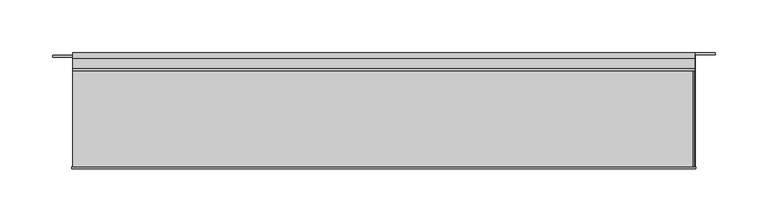
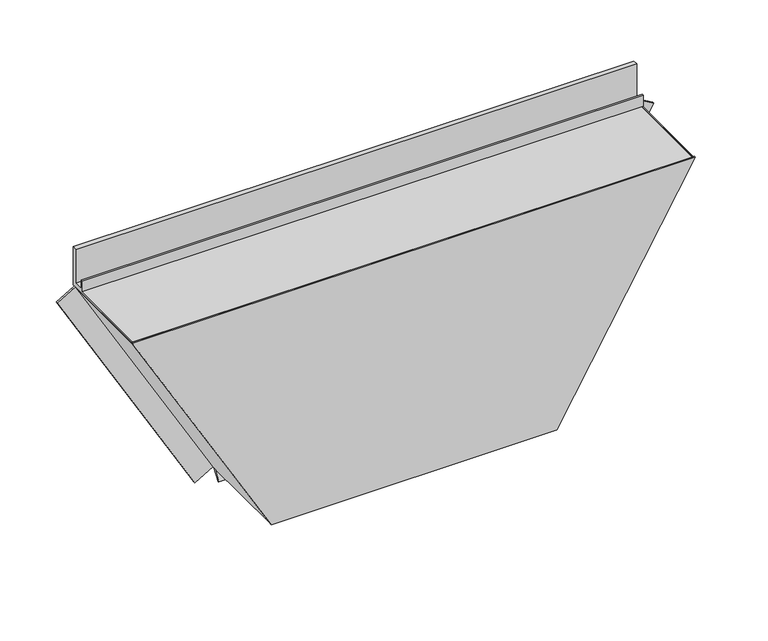
"""IFC4 building model written with IfcOpenShell, lengths in millimetres: proxy geometry."""

from ifc_helpers import new_model, si_unit, frame, origin, place, context, project, spatial, polyline, outline, extrude, source, transform, mapped, element, save


def generic_models_77ebc1b9(model_context):
    return source(origin(), model_context, "Body", "SweptSolid", [
        extrude(outline(polyline([(-103.8, 0.0), (0.0, 0.0), (0.0, 22.0), (2.0, 22.0), (2.0, 0.0), (2.0, -2.0), (-103.8, -2.0), (-103.8, 0.0)])), frame((-0.001605, -4.2, 0.0027799), z_axis=(-0.49999732699885757, 0.0, 0.8660269470368677), x_axis=(0.0, 1.0, 0.0)), (0.0, 0.0, 1.0), 289.2487286),
        extrude(outline(polyline([(0.0, 0.0), (2.0, 0.0), (2.0, -108.0), (0.0, -108.0), (-22.0, -108.0), (-22.0, -106.0), (0.0, -106.0), (0.0, 0.0)])), frame((300.221605, -108.0, 0.0027799), z_axis=(0.49999732699886035, 0.0, 0.8660269470368661), x_axis=(-0.8660269470368661, 0.0, 0.49999732699886035)), (0.0, 0.0, 1.0), 290.4034641),
        extrude(outline(polyline([(-108.0, 250.5), (-108.0, 252.5), (-2.0, 252.5), (-2.0, 291.0), (-3.0, 291.0), (-3.0, 253.5), (-17.1, 253.5), (-17.1, 265.3), (-15.1, 265.3), (-15.1, 255.5), (-5.0, 255.5), (-5.0, 293.0), (0.0, 293.0), (0.0, 250.5), (-108.0, 250.5)])), frame((-144.6251961, 0.0, 0.0), z_axis=(1.0, 0.0, 0.0), x_axis=(0.0, 1.0, 0.0)), (0.0, 0.0, 1.0), 589.4704076),
        extrude(outline(polyline([(-8.1635024, 0.0), (-108.0, 0.0), (-108.0, 2.0), (-5.6, 2.0), (-5.6, 0.1740539), (-13.4221074, -10.9961152), (-15.0603652, -9.8488963), (-8.1635024, 0.0)])), frame((0.0, 0.0, 0.0), z_axis=(1.0, 0.0, 0.0), x_axis=(0.0, 1.0, 0.0)), (0.0, 0.0, 1.0), 300.22),
        extrude(outline(polyline([(252.5, -145.7799038), (0.0, 0.0), (0.0, 300.22), (252.5, 445.9999038), (252.5, -145.7799038)])), frame((0.0, -110.0, 0.0), z_axis=(0.0, 1.0, 0.0), x_axis=(0.0, 0.0, 1.0)), (0.0, 0.0, 1.0), 2.0),
    ])


if __name__ == "__main__":
    model = new_model("IFC4")
    model_context = context("Model", 3, world=origin())
    ifc_project = project(units=[si_unit("LENGTHUNIT", "METRE", prefix="MILLI")], contexts=[model_context])
    site = spatial("IfcSite", under=ifc_project)
    building = spatial("IfcBuilding", under=site)
    placement = place(None, origin())
    generic_models_shape = generic_models_77ebc1b9(model_context)
    element("IfcBuildingElementProxy", 1, Name="Generic Models", at=placement, inside=building, context=model_context, shape_type="MappedRepresentation", body=[
        mapped(generic_models_shape, transform((0.0, 0.0, 0.0), x_axis=(1.0, 0.0, 0.0), y_axis=(0.0, 1.0, 0.0), z_axis=(0.0, 0.0, 1.0))),
    ])
    save(model, "model.ifc")
